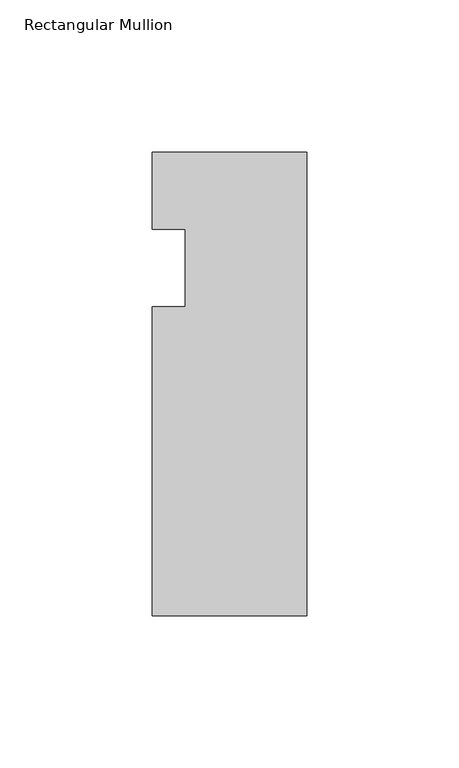
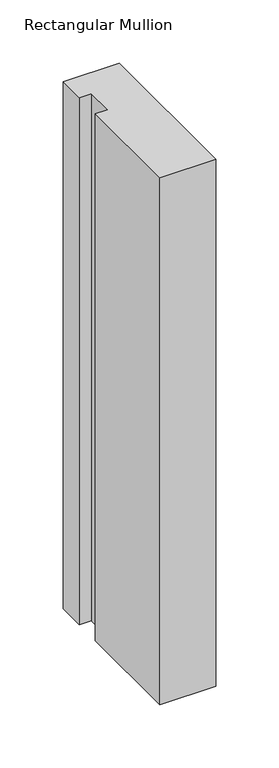
"""IFC4 building model written with IfcOpenShell, lengths in millimetres: member geometry, Rectangular Mullion."""

from ifc_helpers import new_model, si_unit, frame, origin, place, context, project, spatial, polyline, outline, extrude, source, transform, mapped, element, save


def rectangular_mullion_716fee08(model_context):
    return source(origin(), model_context, "Body", "SweptSolid", [
        extrude(outline(polyline([(-50.8, -152.4), (-50.8, -50.8), (-39.8272, -50.8), (-39.8272, -25.4), (-50.8, -25.4), (-50.8, 0.0), (0.0, 0.0), (0.0, -152.4), (-50.8, -152.4)])), frame((0.0, 0.0, -508.0), z_axis=(0.0, 0.0, 1.0), x_axis=(1.0, 0.0, 0.0)), (0.0, 0.0, 1.0), 508.0),
    ])


if __name__ == "__main__":
    model = new_model("IFC4")
    model_context = context("Model", 3, world=origin())
    ifc_project = project(units=[si_unit("LENGTHUNIT", "METRE", prefix="MILLI")], contexts=[model_context])
    site = spatial("IfcSite", under=ifc_project)
    building = spatial("IfcBuilding", under=site)
    placement = place(None, origin())
    rectangular_mullion_shape = rectangular_mullion_716fee08(model_context)
    element("IfcMember", 1, ObjectType="Rectangular Mullion", at=placement, inside=building, context=model_context, shape_type="MappedRepresentation", body=[
        mapped(rectangular_mullion_shape, transform((0.0, 0.0, 0.0), x_axis=(1.0, 0.0, 0.0), y_axis=(0.0, 1.0, 0.0), z_axis=(0.0, 0.0, 1.0))),
    ])
    save(model, "model.ifc")
